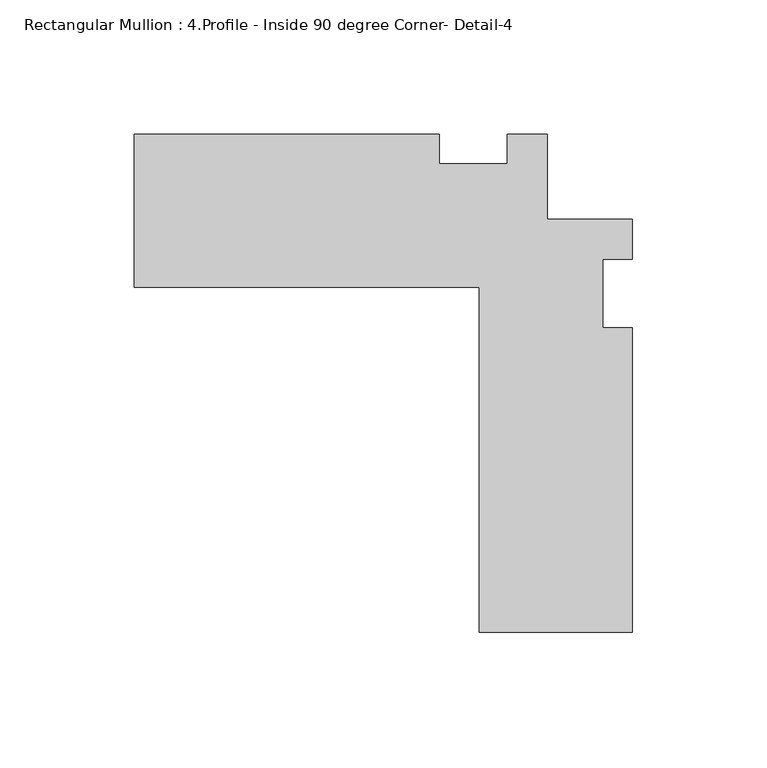
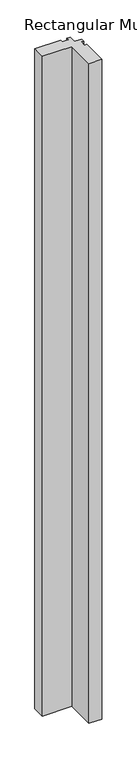
"""IFC4 building model written with IfcOpenShell, lengths in millimetres: member geometry, Rectangular Mullion : 4.Profile - Inside 90 degree Corner- Detail-4."""

from ifc_helpers import new_model, si_unit, frame, origin, place, context, project, spatial, polyline, outline, extrude, source, transform, mapped, element, save


def rectangular_mullion_4_profile_inside_90_degree_corner_detail_443fa129(model_context):
    return source(origin(), model_context, "Body", "SweptSolid", [
        extrude(outline(polyline([(-185.7248, -28.575), (-185.7248, 28.575), (-72.09028, 28.575), (-72.09028, 17.4625), (-46.7262174, 17.4625), (-46.7262174, 28.575), (-31.75, 28.575), (-31.75, -3.175), (0.0, -3.175), (0.0, -18.1062632), (-11.1125, -18.1062632), (-11.1125, -43.5056883), (0.0, -43.5056883), (0.0, -157.1498), (-57.15, -157.1498), (-57.15, -28.575), (-185.7248, -28.575)])), frame((0.0, 0.0, -3048.0), z_axis=(0.0, 0.0, 1.0), x_axis=(1.0, 0.0, 0.0)), (0.0, 0.0, 1.0), 3048.0),
    ])


if __name__ == "__main__":
    model = new_model("IFC4")
    model_context = context("Model", 3, world=origin())
    ifc_project = project(units=[si_unit("LENGTHUNIT", "METRE", prefix="MILLI")], contexts=[model_context])
    site = spatial("IfcSite", under=ifc_project)
    building = spatial("IfcBuilding", under=site)
    placement = place(None, origin())
    rectangular_mullion_4_profile_inside_90_degree_corner_detail_shape = rectangular_mullion_4_profile_inside_90_degree_corner_detail_443fa129(model_context)
    element("IfcMember", 1, ObjectType="Rectangular Mullion : 4.Profile - Inside 90 degree Corner- Detail-4", at=placement, inside=building, context=model_context, shape_type="MappedRepresentation", body=[
        mapped(rectangular_mullion_4_profile_inside_90_degree_corner_detail_shape, transform((0.0, 0.0, 0.0), x_axis=(1.0, 0.0, 0.0), y_axis=(0.0, 1.0, 0.0), z_axis=(0.0, 0.0, 1.0))),
    ])
    save(model, "model.ifc")
